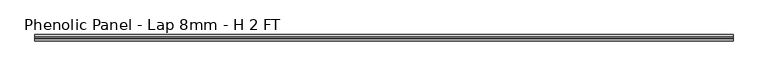
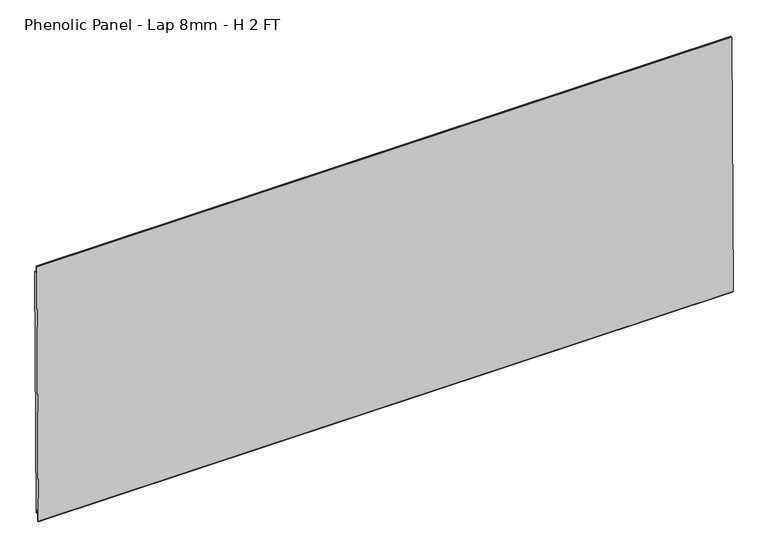
"""IFC4 building model written with IfcOpenShell, lengths in millimetres: proxy geometry, Phenolic Panel - Lap 8mm - H 2 FT."""

from ifc_helpers import new_model, si_unit, frame, origin, place, context, project, spatial, polyline, outline, extrude, source, transform, mapped, element, save


def phenolic_panel_lap_8mm_h_2_ft_d465c57b(model_context):
    return source(origin(), model_context, "Body", "SweptSolid", [
        extrude(outline(polyline([(2.7732555, 593.6735917), (-2.4688477, 47.5987522), (-4.849988, 47.6216102), (-4.7737946, 55.5587445), (-7.3533633, 55.5835073), (-7.5819434, 31.7721044), (-9.5523841, 31.7910199), (-10.5487117, 32.8066615), (-5.0211492, 608.618069), (-4.0055075, 609.6143966), (-2.6240021, 609.6011347), (-2.7763888, 593.7268661), (2.7732555, 593.6735917)])), frame((-276.225, 0.0, 0.0), z_axis=(1.0, 0.0, 0.0), x_axis=(0.0, 1.0, 0.0)), (0.0, 0.0, 1.0), 1495.425),
    ])


if __name__ == "__main__":
    model = new_model("IFC4")
    model_context = context("Model", 3, world=origin())
    ifc_project = project(units=[si_unit("LENGTHUNIT", "METRE", prefix="MILLI")], contexts=[model_context])
    site = spatial("IfcSite", under=ifc_project)
    building = spatial("IfcBuilding", under=site)
    placement = place(None, origin())
    phenolic_panel_lap_8mm_h_2_ft_shape = phenolic_panel_lap_8mm_h_2_ft_d465c57b(model_context)
    element("IfcBuildingElementProxy", 1, Name="Phenolic Panel - Lap 8mm - H 2 FT", ObjectType="Phenolic Panel - Lap 8mm - H 2 FT", at=placement, inside=building, context=model_context, shape_type="MappedRepresentation", body=[
        mapped(phenolic_panel_lap_8mm_h_2_ft_shape, transform((0.0, 0.0, 0.0), x_axis=(1.0, 0.0, 0.0), y_axis=(0.0, 1.0, 0.0), z_axis=(0.0, 0.0, 1.0))),
    ])
    save(model, "model.ifc")
